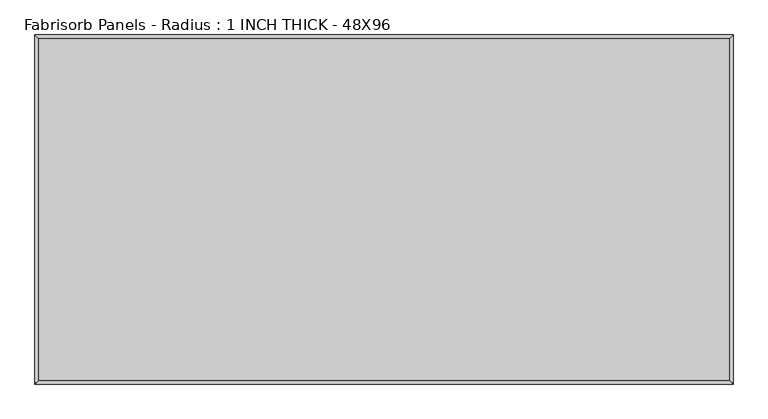
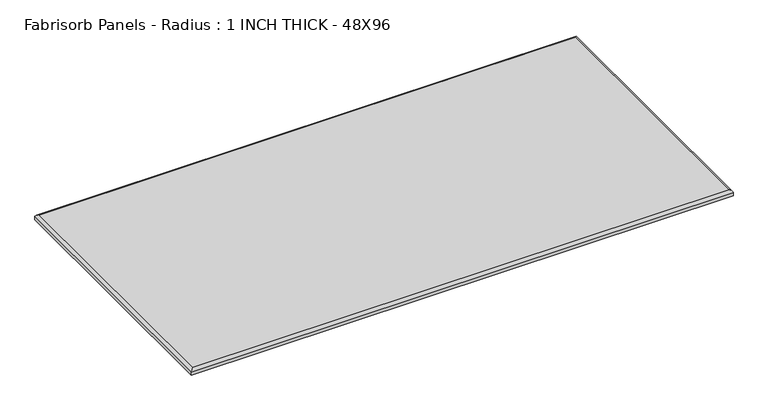
"""IFC4 building model written with IfcOpenShell, lengths in millimetres: proxy geometry, Fabrisorb Panels - Radius : 1 INCH THICK - 48X96."""

from ifc_helpers import new_model, si_unit, frame, origin, place, context, project, spatial, ellipse_curve, source, transform, mapped, element, save
from ifc_brep_helpers import plane_surface, cylinder_surface, advanced_brep


def fabrisorb_panels_radius_1_inch_thick_48x96_9723ebfc(model_context):
    return source(origin(), model_context, "Body", "AdvancedBrep", [
        advanced_brep(
        [(1206.5, 596.9, 25.4), (-1206.5, 596.9, 25.4), (-1206.5, -596.9, 25.4), (1206.5, -596.9, 25.4), (-1219.2, 609.6, 0.0), (1219.2, 609.6, 0.0), (1219.2, -609.6, 0.0), (-1219.2, -609.6, 0.0), (-1219.2, -609.6, 12.7), (-1219.2, 609.6, 12.7), (1219.2, -609.6, 12.7), (1219.2, 609.6, 12.7)],
        [
            (0, 1),
            (1, 2),
            (2, 3),
            (3, 0),
            (4, 5),
            (5, 6),
            (6, 7),
            (7, 4),
            (7, 8),
            (8, 9),
            (9, 4),
            (6, 10),
            (10, 8),
            (5, 11),
            (11, 10),
            (9, 11),
            (9, 1, ellipse_curve(frame((-1206.5, 596.9, 12.7), z_axis=(0.7071067811865475, 0.7071067811865475, 0.0), x_axis=(-0.7071067811865476, 0.7071067811865474, 0.0)), 17.9605122, 12.7)),
            (0, 11, ellipse_curve(frame((1206.5, 596.9, 12.7), z_axis=(-0.7071067811865475, 0.7071067811865476, 0.0), x_axis=(-0.7071067811865476, -0.7071067811865475, 0.0)), 17.9605122, 12.7)),
            (8, 2, ellipse_curve(frame((-1206.5, -596.9, 12.7), z_axis=(-0.7071067811865475, 0.7071067811865476, 0.0), x_axis=(-0.7071067811865476, -0.7071067811865474, 0.0)), 17.9605122, 12.7)),
            (10, 3, ellipse_curve(frame((1206.5, -596.9, 12.7), z_axis=(-0.7071067811865476, -0.7071067811865475, 0.0), x_axis=(0.7071067811865474, -0.7071067811865476, 0.0)), 17.9605122, 12.7)),
        ],
        [
            plane_surface(frame((-1219.2, 609.6, 25.4), z_axis=(0.0, 0.0, 1.0), x_axis=(0.0, -1.0, 0.0))),
            plane_surface(frame((-1219.2, 609.6, 0.0), z_axis=(0.0, 0.0, -1.0), x_axis=(0.0, 1.0, 0.0))),
            plane_surface(frame((-1219.2, 609.6, 25.4), z_axis=(-1.0, 0.0, 0.0), x_axis=(0.0, 0.0, -1.0))),
            plane_surface(frame((-1219.2, -609.6, 25.4), z_axis=(0.0, -1.0, 0.0), x_axis=(0.0, 0.0, -1.0))),
            plane_surface(frame((1219.2, -609.6, 25.4), z_axis=(1.0, 0.0, 0.0), x_axis=(0.0, 0.0, -1.0))),
            plane_surface(frame((1219.2, 609.6, 25.4), z_axis=(0.0, 1.0, 0.0), x_axis=(0.0, 0.0, -1.0))),
            cylinder_surface(frame((1219.2, 596.9, 12.7), z_axis=(-1.0, 0.0, 0.0), x_axis=(0.0, 1.0, 0.0)), 12.7),
            cylinder_surface(frame((-1206.5, 609.6, 12.7), z_axis=(0.0, -1.0, 0.0), x_axis=(-1.0, 0.0, 0.0)), 12.7),
            cylinder_surface(frame((-1219.2, -596.9, 12.7), z_axis=(1.0, 0.0, 0.0), x_axis=(0.0, -1.0, 0.0)), 12.7),
            cylinder_surface(frame((1206.5, -609.6, 12.7), z_axis=(0.0, 1.0, 0.0), x_axis=(1.0, 0.0, 0.0)), 12.7),
        ],
        [
            (0, [[1, 2, 3, 4]]),
            (1, [[5, 6, 7, 8]]),
            (2, [[-8, 9, 10, 11]]),
            (3, [[-7, 12, 13, -9]]),
            (4, [[-6, 14, 15, -12]]),
            (5, [[-5, -11, 16, -14]]),
            (6, [[17, -1, 18, -16]]),
            (7, [[-17, -10, 19, -2]]),
            (8, [[-19, -13, 20, -3]]),
            (9, [[-18, -4, -20, -15]]),
        ],
    ),
    ])


if __name__ == "__main__":
    model = new_model("IFC4")
    model_context = context("Model", 3, world=origin())
    ifc_project = project(units=[si_unit("LENGTHUNIT", "METRE", prefix="MILLI")], contexts=[model_context])
    site = spatial("IfcSite", under=ifc_project)
    building = spatial("IfcBuilding", under=site)
    placement = place(None, origin())
    fabrisorb_panels_radius_1_inch_thick_48x96_shape = fabrisorb_panels_radius_1_inch_thick_48x96_9723ebfc(model_context)
    element("IfcBuildingElementProxy", 1, Name="Fabrisorb Panels - Radius : 1 INCH THICK - 48X96", ObjectType="Fabrisorb Panels - Radius : 1 INCH THICK - 48X96", at=placement, inside=building, context=model_context, shape_type="MappedRepresentation", body=[
        mapped(fabrisorb_panels_radius_1_inch_thick_48x96_shape, transform((0.0, 0.0, 0.0), x_axis=(1.0, 0.0, 0.0), y_axis=(0.0, 1.0, 0.0), z_axis=(0.0, 0.0, 1.0))),
    ])
    save(model, "model.ifc")
